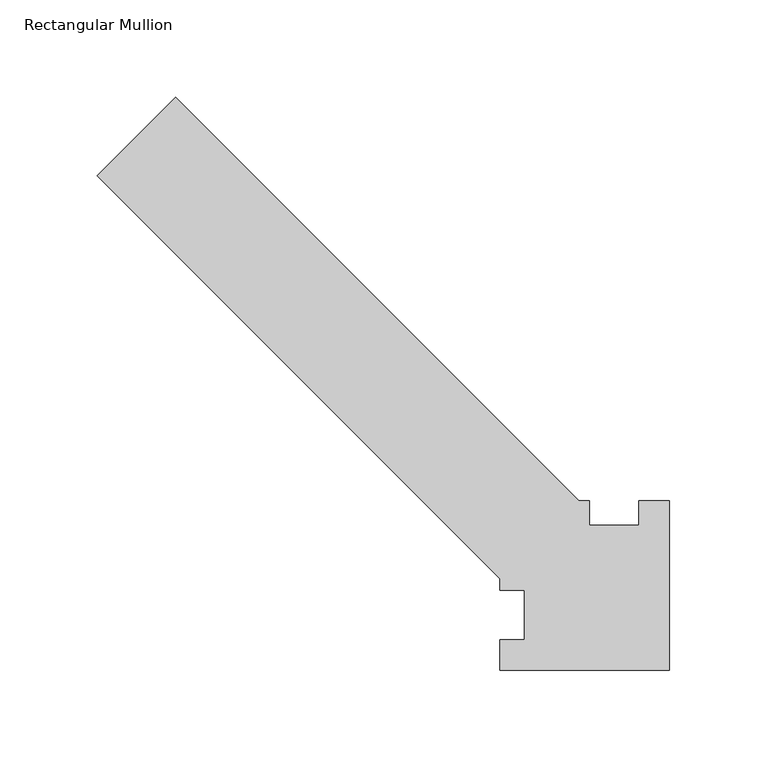
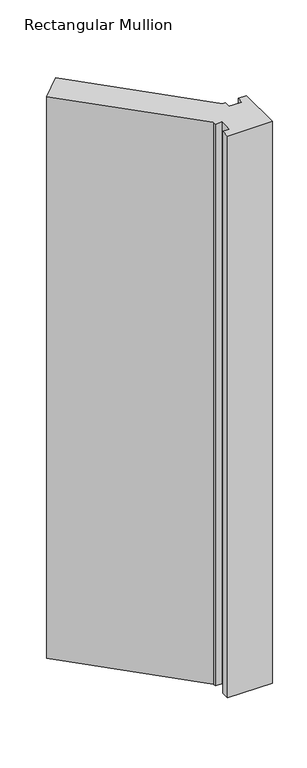
"""IFC4 building model written with IfcOpenShell, lengths in millimetres: member geometry, Rectangular Mullion."""

from ifc_helpers import new_model, si_unit, frame, origin, place, context, project, spatial, polyline, outline, extrude, source, transform, mapped, element, save


def rectangular_mullion_0c5d79b7(model_context):
    return source(origin(), model_context, "Body", "SweptSolid", [
        extrude(outline(polyline([(-15.875, 58.7375), (0.0, 58.7375), (0.0, -28.575), (-87.3125, -28.575), (-87.3125, -12.7), (-74.6125, -12.7), (-74.6125, 12.7), (-87.3125, 12.7), (-87.3125, 18.5592462), (-294.6278689, 225.8746151), (-254.2167163, 266.2857676), (-46.6684487, 58.7375), (-41.275, 58.7375), (-41.275, 46.0375), (-15.875, 46.0375), (-15.875, 58.7375)])), frame((0.0, 0.0, -1162.05), z_axis=(0.0, 0.0, 1.0), x_axis=(1.0, 0.0, 0.0)), (0.0, 0.0, 1.0), 1162.05),
    ])


if __name__ == "__main__":
    model = new_model("IFC4")
    model_context = context("Model", 3, world=origin())
    ifc_project = project(units=[si_unit("LENGTHUNIT", "METRE", prefix="MILLI")], contexts=[model_context])
    site = spatial("IfcSite", under=ifc_project)
    building = spatial("IfcBuilding", under=site)
    placement = place(None, origin())
    rectangular_mullion_shape = rectangular_mullion_0c5d79b7(model_context)
    element("IfcMember", 1, ObjectType="Rectangular Mullion", at=placement, inside=building, context=model_context, shape_type="MappedRepresentation", body=[
        mapped(rectangular_mullion_shape, transform((0.0, 0.0, 0.0), x_axis=(1.0, 0.0, 0.0), y_axis=(0.0, 1.0, 0.0), z_axis=(0.0, 0.0, 1.0))),
    ])
    save(model, "model.ifc")
